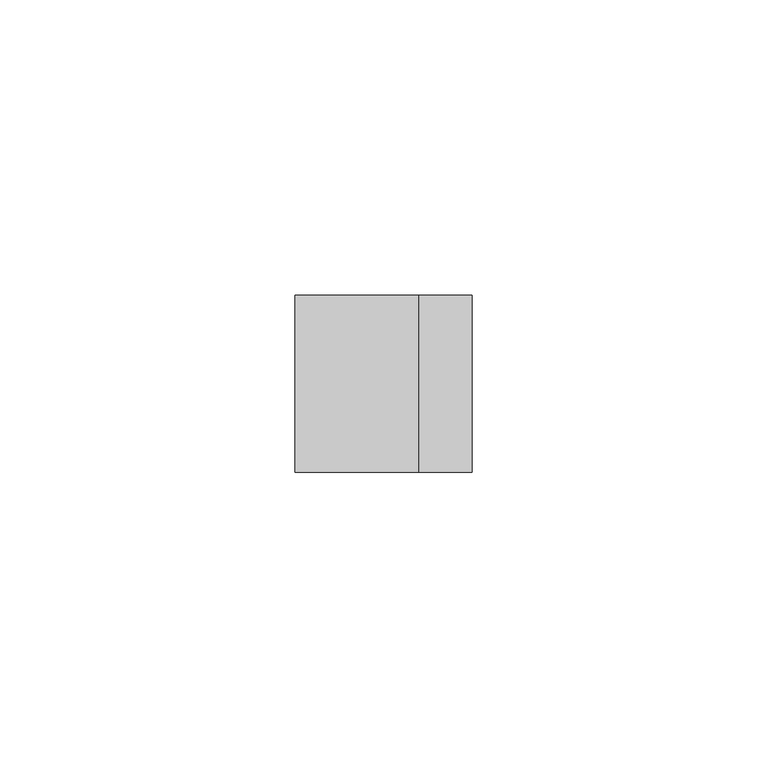
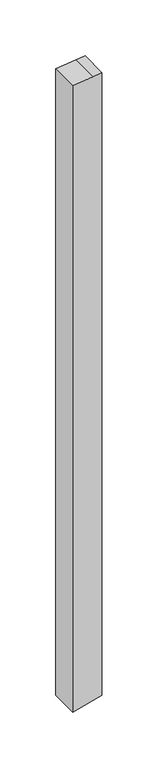
"""IFC4 building model written with IfcOpenShell, lengths in millimetres: member geometry."""

from ifc_helpers import new_model, si_unit, frame, origin, place, context, project, spatial, polyline, outline, extrude, source, transform, mapped, element, save


def member_8d275eb1(model_context):
    return source(origin(), model_context, "Body", "SweptSolid", [
        extrude(outline(polyline([(-48.5433044, 15.0), (-49.6337196, 6.041016), (-52.1946624, -15.0), (-735.1860381, -15.0), (-732.9005591, -6.4704761), (-727.1475624, 15.0), (-48.5433044, 15.0)])), frame((0.0, -15.0, 0.0), z_axis=(0.0, 1.0, 0.0), x_axis=(0.0, 0.0, 1.0)), (0.0, 0.0, 1.0), 30.0),
    ])


if __name__ == "__main__":
    model = new_model("IFC4")
    model_context = context("Model", 3, world=origin())
    ifc_project = project(units=[si_unit("LENGTHUNIT", "METRE", prefix="MILLI")], contexts=[model_context])
    site = spatial("IfcSite", under=ifc_project)
    building = spatial("IfcBuilding", under=site)
    placement = place(None, origin())
    member_shape = member_8d275eb1(model_context)
    element("IfcMember", 1, at=placement, inside=building, context=model_context, shape_type="MappedRepresentation", body=[
        mapped(member_shape, transform((0.0, 0.0, 0.0), x_axis=(1.0, 0.0, 0.0), y_axis=(0.0, 1.0, 0.0), z_axis=(0.0, 0.0, 1.0))),
    ])
    save(model, "model.ifc")
